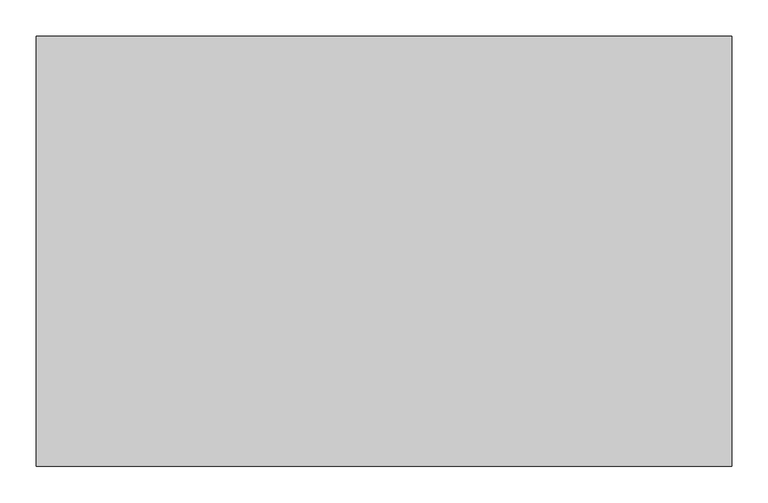
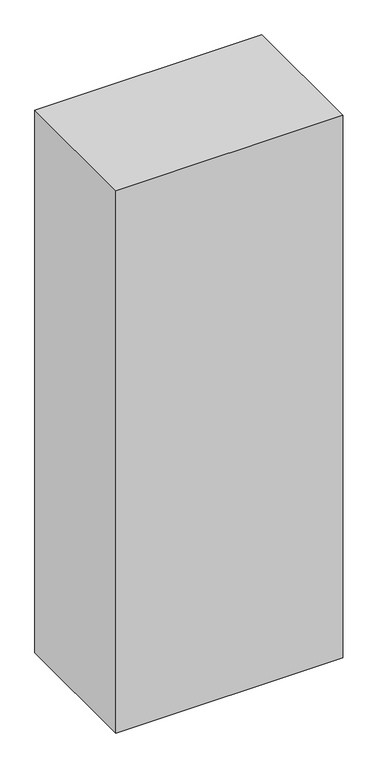
"""IFC4 building model written with IfcOpenShell, lengths in millimetres: proxy geometry."""

from ifc_helpers import new_model, si_unit, origin, origin_with_axes, place, context, project, spatial, polyline, outline, extrude, source, transform, mapped, element, save


def generic_models_99cd3961(model_context):
    return source(origin(), model_context, "Body", "SweptSolid", [
        extrude(outline(polyline([(457.2, -86.51875), (457.2, -153.19375), (-457.2, -153.19375), (-457.2, -86.51875), (457.2, -86.51875)])), origin_with_axes(), (0.0, 0.0, 1.0), 2389.1875),
        extrude(outline(polyline([(457.2, 33.3375), (457.2, -33.3375), (-457.2, -33.3375), (-457.2, 33.3375), (457.2, 33.3375)])), origin_with_axes(), (0.0, 0.0, 1.0), 2389.1875),
        extrude(outline(polyline([(457.2, 153.19375), (457.2, 86.51875), (-457.2, 86.51875), (-457.2, 153.19375), (457.2, 153.19375)])), origin_with_axes(), (0.0, 0.0, 1.0), 2389.1875),
        extrude(outline(polyline([(457.2, -206.375), (457.2, -273.05), (-457.2, -273.05), (-457.2, -206.375), (457.2, -206.375)])), origin_with_axes(), (0.0, 0.0, 1.0), 2389.1875),
        extrude(outline(polyline([(457.2, 273.05), (457.2, 206.375), (-457.2, 206.375), (-457.2, 273.05), (457.2, 273.05)])), origin_with_axes(), (0.0, 0.0, 1.0), 2389.1875),
        extrude(outline(polyline([(482.6, 298.45), (482.6, -298.45), (-482.6, -298.45), (-482.6, 298.45), (482.6, 298.45)])), origin_with_axes(), (0.0, 0.0, 1.0), 2438.4),
    ])


if __name__ == "__main__":
    model = new_model("IFC4")
    model_context = context("Model", 3, world=origin())
    ifc_project = project(units=[si_unit("LENGTHUNIT", "METRE", prefix="MILLI")], contexts=[model_context])
    site = spatial("IfcSite", under=ifc_project)
    building = spatial("IfcBuilding", under=site)
    placement = place(None, origin())
    generic_models_shape = generic_models_99cd3961(model_context)
    element("IfcBuildingElementProxy", 1, Name="Generic Models", at=placement, inside=building, context=model_context, shape_type="MappedRepresentation", body=[
        mapped(generic_models_shape, transform((0.0, 0.0, 0.0), x_axis=(1.0, 0.0, 0.0), y_axis=(0.0, 1.0, 0.0), z_axis=(0.0, 0.0, 1.0))),
    ])
    save(model, "model.ifc")
